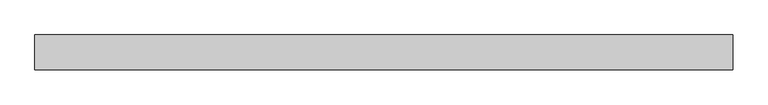
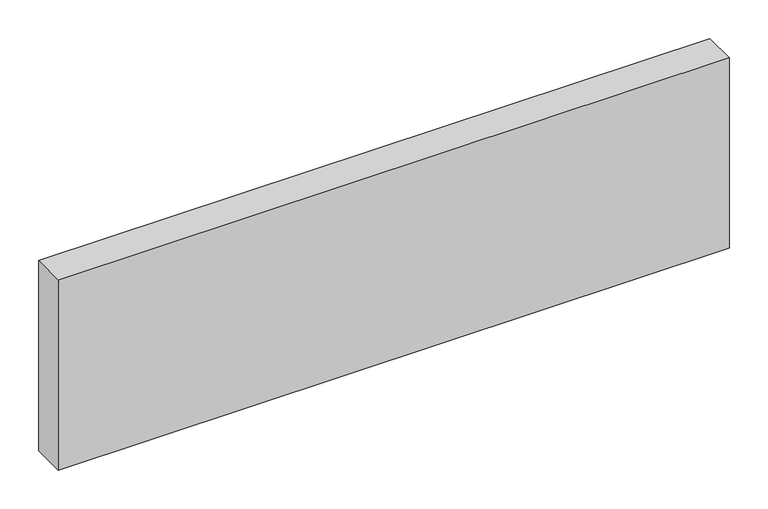
"""IFC4 building model written with IfcOpenShell, lengths in millimetres: proxy geometry."""

from ifc_helpers import new_model, si_unit, origin, origin_with_axes, place, context, project, spatial, polyline, outline, extrude, source, transform, mapped, element, save


def specialty_equipment_47c68176(model_context):
    return source(origin(), model_context, "Body", "SweptSolid", [
        extrude(outline(polyline([(500.0, 25.0), (500.0, -25.0), (-500.0, -25.0), (-500.0, 25.0), (500.0, 25.0)])), origin_with_axes(), (0.0, 0.0, 1.0), 300.0),
    ])


if __name__ == "__main__":
    model = new_model("IFC4")
    model_context = context("Model", 3, world=origin())
    ifc_project = project(units=[si_unit("LENGTHUNIT", "METRE", prefix="MILLI")], contexts=[model_context])
    site = spatial("IfcSite", under=ifc_project)
    building = spatial("IfcBuilding", under=site)
    placement = place(None, origin())
    specialty_equipment_shape = specialty_equipment_47c68176(model_context)
    element("IfcBuildingElementProxy", 1, Name="Specialty Equipment", at=placement, inside=building, context=model_context, shape_type="MappedRepresentation", body=[
        mapped(specialty_equipment_shape, transform((0.0, 0.0, 0.0), x_axis=(1.0, 0.0, 0.0), y_axis=(0.0, 1.0, 0.0), z_axis=(0.0, 0.0, 1.0))),
    ])
    save(model, "model.ifc")
